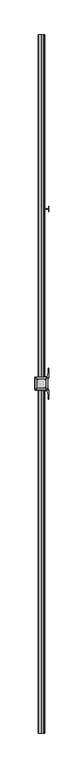
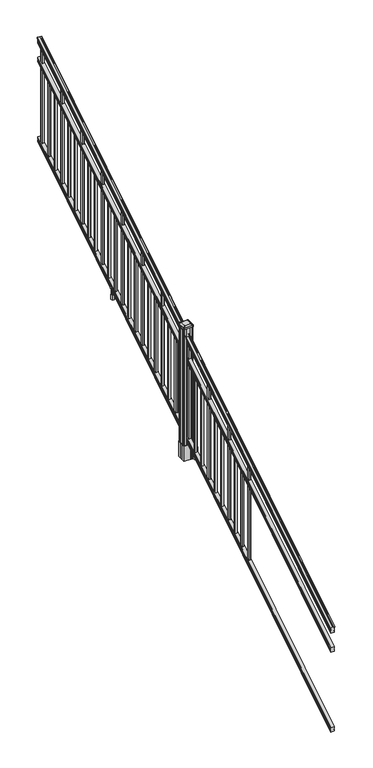
"""IFC4 building model written with IfcOpenShell, lengths in millimetres: railing geometry."""

from ifc_helpers import new_model, si_unit, point, frame, frame_2d, origin, place, context, project, spatial, polyline, circle_curve, ellipse_curve, trimmed, segment, composite_curve, outline, extrude, faceted_brep, source, transform, mapped, element, save
from ifc_brep_helpers import plane_surface, cylinder_surface, revolved_surface, extruded_surface, advanced_brep


def railing_eeea42c5(model_context):
    return source(origin(), model_context, "Body", "SolidModel", [
        advanced_brep(
        [(10037.832944, -115957.2628453, 1285.6070492), (10040.4067728, -115957.2628453, 1285.6070492), (10040.4067728, -115957.2628453, 1273.0394336), (10039.3907728, -115957.2628453, 1271.841318), (10039.3907728, -115957.2628453, 1257.3), (10071.1407728, -115957.2628453, 1257.3), (10071.1407728, -115957.2628453, 1272.0274214), (10070.1247728, -115957.2628453, 1273.225537), (10070.1247728, -115957.2628453, 1285.6070492), (10072.6986015, -115957.2628453, 1285.6070492), (10072.6986015, -115957.2628453, 1287.8335658), (10073.8287878, -115957.2628453, 1289.6758543), (10073.8287878, -115957.2628453, 1298.1876358), (10073.1795314, -115957.2628453, 1301.0572588), (10075.6795314, -115957.2628453, 1306.1635509), (10077.0888739, -115957.2628453, 1308.1442021), (10077.4907729, -115957.2628453, 1309.4469579), (10077.4907728, -115957.2628453, 1311.0274846), (10075.9373255, -115957.2628453, 1312.8593836), (10055.2657728, -115957.2628453, 1312.8593836), (10034.59422, -115957.2628453, 1312.8593836), (10033.0407728, -115957.2628453, 1311.0274846), (10033.0407728, -115957.2628453, 1309.4469579), (10033.4426717, -115957.2628453, 1308.1442021), (10034.8520141, -115957.2628453, 1306.1635509), (10037.3520141, -115957.2628453, 1301.0572588), (10036.7027577, -115957.2628453, 1298.1876358), (10036.7027577, -115957.2628453, 1289.6758543), (10037.832944, -115957.2628453, 1287.8335658), (10037.832944, -111080.4628453, 4333.6070492), (10037.832944, -111080.4628453, 4335.8335658), (10036.7027577, -111080.4628453, 4337.6758543), (10036.7027577, -111080.4628453, 4346.1876358), (10037.3520141, -111080.4628453, 4349.0572588), (10034.8520141, -111080.4628453, 4354.1635509), (10033.4426717, -111080.4628453, 4356.1442021), (10033.0407727, -111080.4628453, 4357.4469579), (10033.0407728, -111080.4628453, 4359.0274846), (10034.59422, -111080.4628453, 4360.8593836), (10055.2657728, -111080.4628453, 4360.8593836), (10075.9373255, -111080.4628453, 4360.8593836), (10077.4907728, -111080.4628453, 4359.0274846), (10077.4907728, -111080.4628453, 4357.4469579), (10077.0888739, -111080.4628453, 4356.1442021), (10075.6795314, -111080.4628453, 4354.1635509), (10073.1795314, -111080.4628453, 4349.0572588), (10073.8287878, -111080.4628453, 4346.1876358), (10073.8287878, -111080.4628453, 4337.6758543), (10072.6986015, -111080.4628453, 4335.8335658), (10072.6986015, -111080.4628453, 4333.6070492), (10070.1247728, -111080.4628453, 4333.6070492), (10070.1247728, -111080.4628453, 4321.225537), (10071.1407728, -111080.4628453, 4320.0274214), (10071.1407728, -111080.4628453, 4305.3), (10039.3907728, -111080.4628453, 4305.3), (10039.3907728, -111080.4628453, 4319.841318), (10040.4067728, -111080.4628453, 4321.0394336), (10040.4067728, -111080.4628453, 4333.6070492)],
        [
            (0, 1, ellipse_curve(frame((10039.1198584, -115957.2628453, 1285.6070492), z_axis=(0.0, -1.0, 0.0), x_axis=(0.0, 0.0, -1.0)), 1.5175907, 1.2869144)),
            (1, 2),
            (2, 3),
            (3, 4),
            (4, 5),
            (5, 6),
            (6, 7),
            (7, 8),
            (8, 9, ellipse_curve(frame((10071.4116871, -115957.2628453, 1285.6070492), z_axis=(0.0, -1.0, 0.0), x_axis=(0.0, 0.0, -1.0)), 1.5175907, 1.2869144)),
            (9, 10),
            (10, 11, ellipse_curve(frame((10066.3838482, -115957.2628453, 1294.6239405), z_axis=(0.0, -1.0, 0.0), x_axis=(0.0, 0.0, -1.0)), 10.0777926, 8.545951)),
            (11, 12, ellipse_curve(frame((10066.8209112, -115957.2628453, 1293.9317451), z_axis=(0.0, -1.0, 0.0), x_axis=(0.0, 0.0, -1.0)), 9.2955186, 7.882584)),
            (12, 13, ellipse_curve(frame((10077.3342353, -115957.2628453, 1300.8275077), z_axis=(0.0, 1.0, 0.0), x_axis=(0.0, 0.0, 1.0)), 4.9048088, 4.1592695)),
            (13, 14, ellipse_curve(frame((10078.6215419, -115957.2628453, 1300.7563208), z_axis=(0.0, 1.0, 0.0), x_axis=(0.0, 0.0, 1.0)), 6.4245301, 5.4479907)),
            (14, 15, ellipse_curve(frame((10077.3883834, -115957.2628453, 1306.1602333), z_axis=(0.0, 1.0, 0.0), x_axis=(0.0, 0.0, 1.0)), 2.0151625, 1.7088543)),
            (15, 16, ellipse_curve(frame((10075.7714833, -115957.2628453, 1309.4469579), z_axis=(0.0, -1.0, 0.0), x_axis=(0.0, 0.0, -1.0)), 2.0274681, 1.7192895)),
            (16, 17),
            (17, 18, ellipse_curve(frame((10075.9373255, -115957.2628453, 1311.0274846), z_axis=(0.0, -1.0, 0.0), x_axis=(0.0, 0.0, -1.0)), 1.831899, 1.5534472)),
            (18, 19),
            (19, 20),
            (20, 21, ellipse_curve(frame((10034.59422, -115957.2628453, 1311.0274846), z_axis=(0.0, -1.0, 0.0), x_axis=(0.0, 0.0, -1.0)), 1.831899, 1.5534472)),
            (21, 22),
            (22, 23, ellipse_curve(frame((10034.7600622, -115957.2628453, 1309.4469579), z_axis=(0.0, -1.0, 0.0), x_axis=(0.0, 0.0, -1.0)), 2.0274681, 1.7192895)),
            (23, 24, ellipse_curve(frame((10033.1431621, -115957.2628453, 1306.1602333), z_axis=(0.0, 1.0, 0.0), x_axis=(0.0, 0.0, 1.0)), 2.0151625, 1.7088543)),
            (24, 25, ellipse_curve(frame((10031.9100037, -115957.2628453, 1300.7563208), z_axis=(0.0, 1.0, 0.0), x_axis=(0.0, 0.0, 1.0)), 6.4245301, 5.4479907)),
            (25, 26, ellipse_curve(frame((10033.1973102, -115957.2628453, 1300.8275077), z_axis=(0.0, 1.0, 0.0), x_axis=(0.0, 0.0, 1.0)), 4.9048088, 4.1592695)),
            (26, 27, ellipse_curve(frame((10043.7106343, -115957.2628453, 1293.9317451), z_axis=(0.0, -1.0, 0.0), x_axis=(0.0, 0.0, -1.0)), 9.2955186, 7.882584)),
            (27, 28, ellipse_curve(frame((10044.1476973, -115957.2628453, 1294.6239405), z_axis=(0.0, -1.0, 0.0), x_axis=(0.0, 0.0, -1.0)), 10.0777926, 8.545951)),
            (28, 0),
            (29, 30),
            (30, 31, ellipse_curve(frame((10044.1476973, -111080.4628453, 4342.6239405), z_axis=(0.0, 1.0, 0.0), x_axis=(0.0, 0.0, -1.0)), 10.0777926, 8.545951)),
            (31, 32, ellipse_curve(frame((10043.7106343, -111080.4628453, 4341.9317451), z_axis=(0.0, 1.0, 0.0), x_axis=(0.0, 0.0, -1.0)), 9.2955186, 7.882584)),
            (32, 33, ellipse_curve(frame((10033.1973102, -111080.4628453, 4348.8275077), z_axis=(0.0, -1.0, 0.0), x_axis=(0.0, 0.0, 1.0)), 4.9048088, 4.1592695)),
            (33, 34, ellipse_curve(frame((10031.9100037, -111080.4628453, 4348.7563208), z_axis=(0.0, -1.0, 0.0), x_axis=(0.0, 0.0, 1.0)), 6.4245301, 5.4479907)),
            (34, 35, ellipse_curve(frame((10033.1431621, -111080.4628453, 4354.1602333), z_axis=(0.0, -1.0, 0.0), x_axis=(0.0, 0.0, 1.0)), 2.0151625, 1.7088543)),
            (35, 36, ellipse_curve(frame((10034.7600622, -111080.4628453, 4357.4469579), z_axis=(0.0, 1.0, 0.0), x_axis=(0.0, 0.0, -1.0)), 2.0274681, 1.7192895)),
            (36, 37),
            (37, 38, ellipse_curve(frame((10034.59422, -111080.4628453, 4359.0274846), z_axis=(0.0, 1.0, 0.0), x_axis=(0.0, 0.0, -1.0)), 1.831899, 1.5534472)),
            (38, 39),
            (39, 40),
            (40, 41, ellipse_curve(frame((10075.9373255, -111080.4628453, 4359.0274846), z_axis=(0.0, 1.0, 0.0), x_axis=(0.0, 0.0, -1.0)), 1.831899, 1.5534472)),
            (41, 42),
            (42, 43, ellipse_curve(frame((10075.7714833, -111080.4628453, 4357.4469579), z_axis=(0.0, 1.0, 0.0), x_axis=(0.0, 0.0, -1.0)), 2.0274681, 1.7192895)),
            (43, 44, ellipse_curve(frame((10077.3883834, -111080.4628453, 4354.1602333), z_axis=(0.0, -1.0, 0.0), x_axis=(0.0, 0.0, 1.0)), 2.0151625, 1.7088543)),
            (44, 45, ellipse_curve(frame((10078.6215419, -111080.4628453, 4348.7563208), z_axis=(0.0, -1.0, 0.0), x_axis=(0.0, 0.0, 1.0)), 6.4245301, 5.4479907)),
            (45, 46, ellipse_curve(frame((10077.3342353, -111080.4628453, 4348.8275077), z_axis=(0.0, -1.0, 0.0), x_axis=(0.0, 0.0, 1.0)), 4.9048088, 4.1592695)),
            (46, 47, ellipse_curve(frame((10066.8209112, -111080.4628453, 4341.9317451), z_axis=(0.0, 1.0, 0.0), x_axis=(0.0, 0.0, -1.0)), 9.2955186, 7.882584)),
            (47, 48, ellipse_curve(frame((10066.3838482, -111080.4628453, 4342.6239405), z_axis=(0.0, 1.0, 0.0), x_axis=(0.0, 0.0, -1.0)), 10.0777926, 8.545951)),
            (48, 49),
            (49, 50, ellipse_curve(frame((10071.4116871, -111080.4628453, 4333.6070492), z_axis=(0.0, 1.0, 0.0), x_axis=(0.0, 0.0, -1.0)), 1.5175907, 1.2869144)),
            (50, 51),
            (51, 52),
            (52, 53),
            (53, 54),
            (54, 55),
            (55, 56),
            (56, 57),
            (57, 29, ellipse_curve(frame((10039.1198584, -111080.4628453, 4333.6070492), z_axis=(0.0, 1.0, 0.0), x_axis=(0.0, 0.0, -1.0)), 1.5175907, 1.2869144)),
            (28, 30),
            (29, 0),
            (27, 31),
            (26, 32),
            (25, 33),
            (24, 34),
            (23, 35),
            (22, 36),
            (21, 37),
            (20, 38),
            (19, 39),
            (18, 40),
            (17, 41),
            (16, 42),
            (15, 43),
            (14, 44),
            (13, 45),
            (12, 46),
            (11, 47),
            (10, 48),
            (9, 49),
            (8, 50),
            (7, 51),
            (6, 52),
            (5, 53),
            (4, 54),
            (3, 55),
            (2, 56),
            (1, 57),
        ],
        [
            plane_surface(frame((10055.2657728, -115957.2628453, 1257.3), z_axis=(0.0, -1.0, 0.0), x_axis=(0.0, 0.0, 1.0))),
            plane_surface(frame((10055.2657728, -111080.4628453, 4305.3), z_axis=(0.0, 1.0, 0.0), x_axis=(0.0, 0.0, 1.0))),
            plane_surface(frame((10037.832944, -115957.2628453, 1287.8335658), z_axis=(-1.0, 0.0, 0.0), x_axis=(0.0, 0.8479983040051252, 0.5299989400031204))),
            cylinder_surface(frame((10044.1476973, -115974.03765, 1284.1396876), z_axis=(0.0, -0.8479983040051253, -0.5299989400031204), x_axis=(1.0, 0.0, 0.0)), 8.545951),
            cylinder_surface(frame((10043.7106343, -115973.7265509, 1283.641929), z_axis=(0.0, -0.8479983040051253, -0.5299989400031204), x_axis=(1.0, 0.0, 0.0)), 7.882584),
            revolved_surface(polyline([(10037.3565797, -111078.25843685034, 4350.205262980551), (10037.3565797, -115959.46725374945, 1299.4497524190954)]), (10033.1973102, -115976.8257701, 1288.6006797), (0.0, 0.8479983040051253, 0.5299989400031204)),
            revolved_surface(polyline([(10037.357994400001, -111077.57541603575, 4350.5609640771845), (10037.357994400001, -115960.15027455281, 1298.9516775044929)]), (10031.9100037, -115976.793776, 1288.5494891), (0.0, 0.8479983040051253, 0.5299989400031204)),
            revolved_surface(polyline([(10034.8520164, -111079.55715429978, 4354.726290199651), (10034.8520164, -115958.16853632247, 1305.594176435948)]), (10033.1431621, -115979.2225007, 1292.4354487), (0.0, 0.8479983040051253, 0.5299989400031204)),
            cylinder_surface(frame((10034.7600622, -115980.6996803, 1294.798936), z_axis=(0.0, -0.8479983040051253, -0.5299989400031204), x_axis=(1.0, 0.0, 0.0)), 1.7192895),
            plane_surface(frame((10033.0407728, -115957.2628453, 1311.0274846), z_axis=(-1.0000000000000002, 0.0, 0.0), x_axis=(0.0, 0.8479983040051253, 0.5299989400031204))),
            cylinder_surface(frame((10034.59422, -115981.4100294, 1295.9354945), z_axis=(0.0, -0.8479983040051253, -0.5299989400031204), x_axis=(1.0, 0.0, 0.0)), 1.5534472),
            plane_surface(frame((10055.2657728, -115957.2628453, 1312.8593836), z_axis=(0.0, -0.5299989400031204, 0.8479983040051252), x_axis=(0.0, 0.8479983040051252, 0.5299989400031204))),
            plane_surface(frame((10075.9373255, -115957.2628453, 1312.8593836), z_axis=(0.0, -0.5299989400031204, 0.8479983040051252), x_axis=(0.0, 0.8479983040051252, 0.5299989400031204))),
            cylinder_surface(frame((10075.9373255, -115981.4100294, 1295.9354945), z_axis=(0.0, -0.8479983040051253, -0.5299989400031204), x_axis=(-1.0, 0.0, 0.0)), 1.5534472),
            plane_surface(frame((10077.4907728, -115957.2628453, 1309.4469579), z_axis=(1.0, 0.0, 0.0), x_axis=(0.0, 0.8479983040051252, 0.5299989400031204))),
            cylinder_surface(frame((10075.7714833, -115980.6996803, 1294.798936), z_axis=(0.0, -0.8479983040051253, -0.5299989400031204), x_axis=(-1.0, 0.0, 0.0)), 1.7192895),
            revolved_surface(polyline([(10075.6795291, -111079.55715429978, 4354.726290199651), (10075.6795291, -115958.16853632247, 1305.594176435948)]), (10077.3883834, -115979.2225007, 1292.4354487), (0.0, 0.8479983040051253, 0.5299989400031204)),
            revolved_surface(polyline([(10073.1735512, -111077.57541603575, 4350.5609640771845), (10073.1735512, -115960.15027455281, 1298.9516775044929)]), (10078.6215419, -115976.793776, 1288.5494891), (0.0, 0.8479983040051253, 0.5299989400031204)),
            revolved_surface(polyline([(10073.1749658, -111078.25843685034, 4350.205262980551), (10073.1749658, -115959.46725374945, 1299.4497524190954)]), (10077.3342353, -115976.8257701, 1288.6006797), (0.0, 0.8479983040051253, 0.5299989400031204)),
            cylinder_surface(frame((10066.8209112, -115973.7265509, 1283.641929), z_axis=(0.0, -0.8479983040051253, -0.5299989400031204), x_axis=(-1.0, 0.0, 0.0)), 7.882584),
            cylinder_surface(frame((10066.3838482, -115974.03765, 1284.1396876), z_axis=(0.0, -0.8479983040051253, -0.5299989400031204), x_axis=(-1.0, 0.0, 0.0)), 8.545951),
            plane_surface(frame((10072.6986015, -115957.2628453, 1285.6070492), z_axis=(1.0, 0.0, 0.0), x_axis=(0.0, 0.8479983040051252, 0.5299989400031204))),
            cylinder_surface(frame((10071.4116871, -115969.9851146, 1277.6556309), z_axis=(0.0, -0.8479983040051253, -0.5299989400031204), x_axis=(-1.0, 0.0, 0.0)), 1.2869144),
            plane_surface(frame((10070.1247728, -115957.2628453, 1273.225537), z_axis=(1.0, 0.0, 0.0), x_axis=(0.0, 0.8479983040051252, 0.5299989400031204))),
            plane_surface(frame((10071.1407728, -115957.2628453, 1272.0274214), z_axis=(0.7071067811865425, -0.3747658444978923, 0.5996253511967194), x_axis=(0.0, 0.8479983040051252, 0.5299989400031204))),
            plane_surface(frame((10071.1407728, -115957.2628453, 1257.3), z_axis=(1.0, 0.0, 0.0), x_axis=(0.0, 0.8479983040051252, 0.5299989400031204))),
            plane_surface(frame((10039.3907728, -115957.2628453, 1257.3), z_axis=(0.0, 0.5299989400031204, -0.8479983040051252), x_axis=(0.0, 0.8479983040051252, 0.5299989400031204))),
            plane_surface(frame((10039.3907728, -115957.2628453, 1271.841318), z_axis=(-1.0, 0.0, 0.0), x_axis=(0.0, 0.8479983040051253, 0.5299989400031203))),
            plane_surface(frame((10040.4067728, -115957.2628453, 1273.0394336), z_axis=(-0.7071067811865404, -0.3747658444978917, 0.5996253511967224), x_axis=(0.0, 0.8479983040051253, 0.5299989400031204))),
            plane_surface(frame((10040.4067728, -115957.2628453, 1285.6070492), z_axis=(-1.0, 0.0, 0.0), x_axis=(0.0, 0.8479983040051252, 0.5299989400031204))),
            cylinder_surface(frame((10039.1198584, -115969.9851146, 1277.6556309), z_axis=(0.0, -0.8479983040051253, -0.5299989400031204), x_axis=(1.0, 0.0, 0.0)), 1.2869144),
        ],
        [
            (0, [[1, 2, 3, 4, 5, 6, 7, 8, 9, 10, 11, 12, 13, 14, 15, 16, 17, 18, 19, 20, 21, 22, 23, 24, 25, 26, 27, 28, 29]]),
            (1, [[30, 31, 32, 33, 34, 35, 36, 37, 38, 39, 40, 41, 42, 43, 44, 45, 46, 47, 48, 49, 50, 51, 52, 53, 54, 55, 56, 57, 58]]),
            (2, [[-29, 59, -30, 60]]),
            (3, [[-28, 61, -31, -59]]),
            (4, [[-27, 62, -32, -61]]),
            (5, [[-26, 63, -33, -62]]),
            (6, [[-25, 64, -34, -63]]),
            (7, [[-24, 65, -35, -64]]),
            (8, [[-23, 66, -36, -65]]),
            (9, [[-22, 67, -37, -66]]),
            (10, [[-21, 68, -38, -67]]),
            (11, [[-20, 69, -39, -68]]),
            (12, [[-19, 70, -40, -69]]),
            (13, [[-18, 71, -41, -70]]),
            (14, [[-17, 72, -42, -71]]),
            (15, [[-16, 73, -43, -72]]),
            (16, [[-15, 74, -44, -73]]),
            (17, [[-14, 75, -45, -74]]),
            (18, [[-13, 76, -46, -75]]),
            (19, [[-12, 77, -47, -76]]),
            (20, [[-11, 78, -48, -77]]),
            (21, [[-10, 79, -49, -78]]),
            (22, [[-9, 80, -50, -79]]),
            (23, [[-8, 81, -51, -80]]),
            (24, [[-7, 82, -52, -81]]),
            (25, [[-6, 83, -53, -82]]),
            (26, [[-5, 84, -54, -83]]),
            (27, [[-4, 85, -55, -84]]),
            (28, [[-3, 86, -56, -85]]),
            (29, [[-2, 87, -57, -86]]),
            (30, [[-1, -60, -58, -87]]),
        ],
    ),
        faceted_brep([(10039.3532859, -115957.2628453, 1081.6045079), (10039.3532859, -115957.2628453, 1066.8), (10071.1032859, -115957.2628453, 1066.8), (10071.1032859, -115957.2628453, 1081.5848772), (10070.0872859, -115957.2628453, 1083.1748303), (10070.0872859, -115957.2628453, 1095.3348741), (10071.1032859, -115957.2628453, 1096.9248272), (10071.1032859, -115957.2628453, 1111.7244744), (10039.3532859, -115957.2628453, 1111.7244744), (10039.3532859, -115957.2628453, 1096.9444579), (10040.3692859, -115957.2628453, 1095.3545048), (10040.3692859, -115957.2628453, 1083.138026), (10039.3532859, -111080.4628453, 4129.6045079), (10040.3692859, -111080.4628453, 4131.138026), (10040.3692859, -111080.4628453, 4143.3545048), (10039.3532859, -111080.4628453, 4144.9444579), (10039.3532859, -111080.4628453, 4159.7244744), (10071.1032859, -111080.4628453, 4159.7244744), (10071.1032859, -111080.4628453, 4144.9248272), (10070.0872859, -111080.4628453, 4143.3348741), (10070.0872859, -111080.4628453, 4131.1748303), (10071.1032859, -111080.4628453, 4129.5848772), (10071.1032859, -111080.4628453, 4114.8), (10039.3532859, -111080.4628453, 4114.8)], [[[0, 1, 2, 3, 4, 5, 6, 7, 8, 9, 10, 11]], [[12, 13, 14, 15, 16, 17, 18, 19, 20, 21, 22, 23]], [[0, 11, 13, 12]], [[11, 10, 14, 13]], [[10, 9, 15, 14]], [[9, 8, 16, 15]], [[8, 7, 17, 16]], [[7, 6, 18, 17]], [[6, 5, 19, 18]], [[5, 4, 20, 19]], [[4, 3, 21, 20]], [[3, 2, 22, 21]], [[2, 1, 23, 22]], [[1, 0, 12, 23]]]),
        faceted_brep([(10039.3532859, -115957.2628453, 268.8045079), (10039.3532859, -115957.2628453, 254.0), (10071.1032859, -115957.2628453, 254.0), (10071.1032859, -115957.2628453, 268.7848772), (10070.0872859, -115957.2628453, 270.3748303), (10070.0872859, -115957.2628453, 282.5348741), (10071.1032859, -115957.2628453, 284.1248272), (10071.1032859, -115957.2628453, 298.9244744), (10039.3532859, -115957.2628453, 298.9244744), (10039.3532859, -115957.2628453, 284.1444579), (10040.3692859, -115957.2628453, 282.5545048), (10040.3692859, -115957.2628453, 270.338026), (10039.3532859, -111080.4628453, 3316.8045079), (10040.3692859, -111080.4628453, 3318.338026), (10040.3692859, -111080.4628453, 3330.5545048), (10039.3532859, -111080.4628453, 3332.1444579), (10039.3532859, -111080.4628453, 3346.9244744), (10071.1032859, -111080.4628453, 3346.9244744), (10071.1032859, -111080.4628453, 3332.1248272), (10070.0872859, -111080.4628453, 3330.5348741), (10070.0872859, -111080.4628453, 3318.3748303), (10071.1032859, -111080.4628453, 3316.7848772), (10071.1032859, -111080.4628453, 3302.0), (10039.3532859, -111080.4628453, 3302.0)], [[[0, 1, 2, 3, 4, 5, 6, 7, 8, 9, 10, 11]], [[12, 13, 14, 15, 16, 17, 18, 19, 20, 21, 22, 23]], [[1, 0, 12, 23]], [[7, 6, 18, 17]], [[9, 8, 16, 15]], [[11, 10, 14, 13]], [[2, 1, 23, 22]], [[3, 2, 22, 21]], [[4, 3, 21, 20]], [[5, 4, 20, 19]], [[6, 5, 19, 18]], [[8, 7, 17, 16]], [[10, 9, 15, 14]], [[0, 11, 13, 12]]]),
        extrude(outline(polyline([(10045.7407728, -111137.2318453), (10045.7407728, -111118.1818453), (10064.7907728, -111118.1818453), (10064.7907728, -111137.2318453), (10045.7407728, -111137.2318453)]), holes=[polyline([(10046.1376478, -111136.8349703), (10064.3938978, -111136.8349703), (10064.3938978, -111118.5787203), (10046.1376478, -111118.5787203), (10046.1376478, -111136.8349703)])]), frame((0.0, 0.0, 3310.5683781), z_axis=(0.0, 0.0, 1.0), x_axis=(1.0, 0.0, 0.0)), (0.0, 0.0, 1.0), 965.2041219),
        extrude(outline(polyline([(10045.7407728, -111248.4838453), (10045.7407728, -111229.4338453), (10064.7907728, -111229.4338453), (10064.7907728, -111248.4838453), (10045.7407728, -111248.4838453)]), holes=[polyline([(10046.1376478, -111248.0869703), (10064.3938978, -111248.0869703), (10064.3938978, -111229.8307203), (10046.1376478, -111229.8307203), (10046.1376478, -111248.0869703)])]), frame((0.0, 0.0, 3241.0358781), z_axis=(0.0, 0.0, 1.0), x_axis=(1.0, 0.0, 0.0)), (0.0, 0.0, 1.0), 774.7041219),
        extrude(outline(polyline([(10045.7407728, -111359.7358453), (10045.7407728, -111340.6858453), (10064.7907728, -111340.6858453), (10064.7907728, -111359.7358453), (10045.7407728, -111359.7358453)]), holes=[polyline([(10046.1376478, -111359.3389703), (10064.3938978, -111359.3389703), (10064.3938978, -111341.0827203), (10046.1376478, -111341.0827203), (10046.1376478, -111359.3389703)])]), frame((0.0, 0.0, 3171.5033781), z_axis=(0.0, 0.0, 1.0), x_axis=(1.0, 0.0, 0.0)), (0.0, 0.0, 1.0), 774.7041219),
        extrude(outline(polyline([(10045.7407728, -111470.9878453), (10045.7407728, -111451.9378453), (10064.7907728, -111451.9378453), (10064.7907728, -111470.9878453), (10045.7407728, -111470.9878453)]), holes=[polyline([(10046.1376478, -111470.5909703), (10064.3938978, -111470.5909703), (10064.3938978, -111452.3347203), (10046.1376478, -111452.3347203), (10046.1376478, -111470.5909703)])]), frame((0.0, 0.0, 3101.9708781), z_axis=(0.0, 0.0, 1.0), x_axis=(1.0, 0.0, 0.0)), (0.0, 0.0, 1.0), 965.2041219),
        extrude(outline(polyline([(10045.7407728, -111582.2398453), (10045.7407728, -111563.1898453), (10064.7907728, -111563.1898453), (10064.7907728, -111582.2398453), (10045.7407728, -111582.2398453)]), holes=[polyline([(10046.1376478, -111581.8429703), (10064.3938978, -111581.8429703), (10064.3938978, -111563.5867203), (10046.1376478, -111563.5867203), (10046.1376478, -111581.8429703)])]), frame((0.0, 0.0, 3032.4383781), z_axis=(0.0, 0.0, 1.0), x_axis=(1.0, 0.0, 0.0)), (0.0, 0.0, 1.0), 774.7041219),
        extrude(outline(polyline([(10045.7407728, -111693.4918453), (10045.7407728, -111674.4418453), (10064.7907728, -111674.4418453), (10064.7907728, -111693.4918453), (10045.7407728, -111693.4918453)]), holes=[polyline([(10046.1376478, -111693.0949703), (10064.3938978, -111693.0949703), (10064.3938978, -111674.8387203), (10046.1376478, -111674.8387203), (10046.1376478, -111693.0949703)])]), frame((0.0, 0.0, 2962.9058781), z_axis=(0.0, 0.0, 1.0), x_axis=(1.0, 0.0, 0.0)), (0.0, 0.0, 1.0), 774.7041219),
        extrude(outline(polyline([(10045.7407728, -111804.7438453), (10045.7407728, -111785.6938453), (10064.7907728, -111785.6938453), (10064.7907728, -111804.7438453), (10045.7407728, -111804.7438453)]), holes=[polyline([(10046.1376478, -111804.3469703), (10064.3938978, -111804.3469703), (10064.3938978, -111786.0907203), (10046.1376478, -111786.0907203), (10046.1376478, -111804.3469703)])]), frame((0.0, 0.0, 2893.3733781), z_axis=(0.0, 0.0, 1.0), x_axis=(1.0, 0.0, 0.0)), (0.0, 0.0, 1.0), 965.2041219),
        extrude(outline(polyline([(10045.7407728, -111915.9958453), (10045.7407728, -111896.9458453), (10064.7907728, -111896.9458453), (10064.7907728, -111915.9958453), (10045.7407728, -111915.9958453)]), holes=[polyline([(10046.1376478, -111915.5989703), (10064.3938978, -111915.5989703), (10064.3938978, -111897.3427203), (10046.1376478, -111897.3427203), (10046.1376478, -111915.5989703)])]), frame((0.0, 0.0, 2823.8408781), z_axis=(0.0, 0.0, 1.0), x_axis=(1.0, 0.0, 0.0)), (0.0, 0.0, 1.0), 774.7041219),
        extrude(outline(polyline([(10045.7407728, -112027.2478453), (10045.7407728, -112008.1978453), (10064.7907728, -112008.1978453), (10064.7907728, -112027.2478453), (10045.7407728, -112027.2478453)]), holes=[polyline([(10046.1376478, -112026.8509703), (10064.3938978, -112026.8509703), (10064.3938978, -112008.5947203), (10046.1376478, -112008.5947203), (10046.1376478, -112026.8509703)])]), frame((0.0, 0.0, 2754.3083781), z_axis=(0.0, 0.0, 1.0), x_axis=(1.0, 0.0, 0.0)), (0.0, 0.0, 1.0), 774.7041219),
        extrude(outline(polyline([(10045.7407728, -112138.4998453), (10045.7407728, -112119.4498453), (10064.7907728, -112119.4498453), (10064.7907728, -112138.4998453), (10045.7407728, -112138.4998453)]), holes=[polyline([(10046.1376478, -112138.1029703), (10064.3938978, -112138.1029703), (10064.3938978, -112119.8467203), (10046.1376478, -112119.8467203), (10046.1376478, -112138.1029703)])]), frame((0.0, 0.0, 2684.7758781), z_axis=(0.0, 0.0, 1.0), x_axis=(1.0, 0.0, 0.0)), (0.0, 0.0, 1.0), 965.2041219),
        extrude(outline(polyline([(10045.7407728, -112249.7518453), (10045.7407728, -112230.7018453), (10064.7907728, -112230.7018453), (10064.7907728, -112249.7518453), (10045.7407728, -112249.7518453)]), holes=[polyline([(10046.1376478, -112249.3549703), (10064.3938978, -112249.3549703), (10064.3938978, -112231.0987203), (10046.1376478, -112231.0987203), (10046.1376478, -112249.3549703)])]), frame((0.0, 0.0, 2615.2433781), z_axis=(0.0, 0.0, 1.0), x_axis=(1.0, 0.0, 0.0)), (0.0, 0.0, 1.0), 774.7041219),
        extrude(outline(polyline([(10065.9337726, -112297.1228453), (10065.9337726, -112294.5828453), (10105.3037728, -112294.5828453), (10105.3037728, -112297.1228453), (10065.9337726, -112297.1228453)])), frame((0.0, 0.0, 2428.08125), z_axis=(0.0, 0.0, 1.0), x_axis=(1.0, 0.0, 0.0)), (0.0, 0.0, 1.0), 50.8),
        extrude(outline(polyline([(10105.3037728, -112314.9028453), (10105.3037728, -112276.8028453), (10107.8437728, -112276.8028453), (10107.8437728, -112314.9028453), (10105.3037728, -112314.9028453)])), frame((0.0, 0.0, 2428.08125), z_axis=(0.0, 0.0, 1.0), x_axis=(1.0, 0.0, 0.0)), (0.0, 0.0, 1.0), 50.8),
        extrude(outline(polyline([(10044.597772, -112305.7588453), (10044.597772, -112285.9468453), (10065.9337726, -112285.9468453), (10065.9337726, -112305.7588453), (10044.597772, -112305.7588453)]), holes=[polyline([(10047.8997721, -112303.2188453), (10062.6317725, -112303.2188453), (10062.6317725, -112288.4868453), (10047.8997721, -112288.4868453), (10047.8997721, -112303.2188453)])]), frame((0.0, 0.0, 2428.08125), z_axis=(0.0, 0.0, 1.0), x_axis=(1.0, 0.0, 0.0)), (0.0, 0.0, 1.0), 50.8),
        extrude(outline(polyline([(2567.6016479, 10073.4267716), (2567.6016479, 10071.394772), (2566.5856453, 10070.3787722), (2556.1498581, 10070.3787722), (2555.1338573, 10071.394772), (2543.143251, 10071.394772), (2542.3812519, 10070.6327729), (2542.3812519, 10039.8987717), (2543.143251, 10039.1367726), (2555.1338573, 10039.1367726), (2556.1498581, 10040.1527724), (2566.5856453, 10040.1527724), (2567.6016479, 10039.1367726), (2567.6016479, 10037.104773), (2566.8396469, 10036.342772), (2540.3492523, 10036.342772), (2539.5872513, 10037.104773), (2539.5872513, 10047.137772), (2538.8252512, 10047.8997721), (2475.3252512, 10047.8997721), (2475.3252512, 10062.6317725), (2538.8252512, 10062.6317725), (2539.5872513, 10063.3937726), (2539.5872513, 10073.4267716), (2540.3492523, 10074.1887726), (2566.8396469, 10074.1887726), (2567.6016479, 10073.4267716)]), holes=[polyline([(2539.5872513, 10051.8367724), (2539.5872513, 10058.6947722), (2538.8252512, 10059.4567723), (2482.8182503, 10059.4567723), (2482.0562531, 10058.6947751), (2482.0562531, 10051.8367724), (2482.8182531, 10051.0747723), (2538.8252512, 10051.0747723), (2539.5872513, 10051.8367724)])]), frame((0.0, -112303.2188453, 0.0), z_axis=(0.0, 1.0, 0.0), x_axis=(0.0, 0.0, 1.0)), (0.0, 0.0, 1.0), 14.732),
        extrude(outline(polyline([(10045.7407728, -112361.0038453), (10045.7407728, -112341.9538453), (10064.7907728, -112341.9538453), (10064.7907728, -112361.0038453), (10045.7407728, -112361.0038453)]), holes=[polyline([(10046.1376478, -112360.6069703), (10064.3938978, -112360.6069703), (10064.3938978, -112342.3507203), (10046.1376478, -112342.3507203), (10046.1376478, -112360.6069703)])]), frame((0.0, 0.0, 2545.7108781), z_axis=(0.0, 0.0, 1.0), x_axis=(1.0, 0.0, 0.0)), (0.0, 0.0, 1.0), 774.7041219),
        extrude(outline(polyline([(10045.7407728, -112472.2558453), (10045.7407728, -112453.2058453), (10064.7907728, -112453.2058453), (10064.7907728, -112472.2558453), (10045.7407728, -112472.2558453)]), holes=[polyline([(10046.1376478, -112471.8589703), (10064.3938978, -112471.8589703), (10064.3938978, -112453.6027203), (10046.1376478, -112453.6027203), (10046.1376478, -112471.8589703)])]), frame((0.0, 0.0, 2476.1783781), z_axis=(0.0, 0.0, 1.0), x_axis=(1.0, 0.0, 0.0)), (0.0, 0.0, 1.0), 965.2041219),
        extrude(outline(polyline([(10045.7407728, -112583.5078453), (10045.7407728, -112564.4578453), (10064.7907728, -112564.4578453), (10064.7907728, -112583.5078453), (10045.7407728, -112583.5078453)]), holes=[polyline([(10046.1376478, -112583.1109703), (10064.3938978, -112583.1109703), (10064.3938978, -112564.8547203), (10046.1376478, -112564.8547203), (10046.1376478, -112583.1109703)])]), frame((0.0, 0.0, 2406.6458781), z_axis=(0.0, 0.0, 1.0), x_axis=(1.0, 0.0, 0.0)), (0.0, 0.0, 1.0), 774.7041219),
        extrude(outline(polyline([(10045.7407728, -112694.7598453), (10045.7407728, -112675.7098453), (10064.7907728, -112675.7098453), (10064.7907728, -112694.7598453), (10045.7407728, -112694.7598453)]), holes=[polyline([(10046.1376478, -112694.3629703), (10064.3938978, -112694.3629703), (10064.3938978, -112676.1067203), (10046.1376478, -112676.1067203), (10046.1376478, -112694.3629703)])]), frame((0.0, 0.0, 2337.1133781), z_axis=(0.0, 0.0, 1.0), x_axis=(1.0, 0.0, 0.0)), (0.0, 0.0, 1.0), 774.7041219),
        extrude(outline(polyline([(10045.7407728, -112806.0118453), (10045.7407728, -112786.9618453), (10064.7907728, -112786.9618453), (10064.7907728, -112806.0118453), (10045.7407728, -112806.0118453)]), holes=[polyline([(10046.1376478, -112805.6149703), (10064.3938978, -112805.6149703), (10064.3938978, -112787.3587203), (10046.1376478, -112787.3587203), (10046.1376478, -112805.6149703)])]), frame((0.0, 0.0, 2267.5808781), z_axis=(0.0, 0.0, 1.0), x_axis=(1.0, 0.0, 0.0)), (0.0, 0.0, 1.0), 965.2041219),
        extrude(outline(polyline([(10045.7407728, -112917.2638453), (10045.7407728, -112898.2138453), (10064.7907728, -112898.2138453), (10064.7907728, -112917.2638453), (10045.7407728, -112917.2638453)]), holes=[polyline([(10046.1376478, -112916.8669703), (10064.3938978, -112916.8669703), (10064.3938978, -112898.6107203), (10046.1376478, -112898.6107203), (10046.1376478, -112916.8669703)])]), frame((0.0, 0.0, 2198.0483781), z_axis=(0.0, 0.0, 1.0), x_axis=(1.0, 0.0, 0.0)), (0.0, 0.0, 1.0), 774.7041219),
        extrude(outline(polyline([(10045.7407728, -113028.5158453), (10045.7407728, -113009.4658453), (10064.7907728, -113009.4658453), (10064.7907728, -113028.5158453), (10045.7407728, -113028.5158453)]), holes=[polyline([(10046.1376478, -113028.1189703), (10064.3938978, -113028.1189703), (10064.3938978, -113009.8627203), (10046.1376478, -113009.8627203), (10046.1376478, -113028.1189703)])]), frame((0.0, 0.0, 2128.5158781), z_axis=(0.0, 0.0, 1.0), x_axis=(1.0, 0.0, 0.0)), (0.0, 0.0, 1.0), 774.7041219),
        extrude(outline(polyline([(10045.7407728, -113139.7678453), (10045.7407728, -113120.7178453), (10064.7907728, -113120.7178453), (10064.7907728, -113139.7678453), (10045.7407728, -113139.7678453)]), holes=[polyline([(10046.1376478, -113139.3709703), (10064.3938978, -113139.3709703), (10064.3938978, -113121.1147203), (10046.1376478, -113121.1147203), (10046.1376478, -113139.3709703)])]), frame((0.0, 0.0, 2058.9833781), z_axis=(0.0, 0.0, 1.0), x_axis=(1.0, 0.0, 0.0)), (0.0, 0.0, 1.0), 965.2041219),
        extrude(outline(polyline([(10045.7407728, -113251.0198453), (10045.7407728, -113231.9698453), (10064.7907728, -113231.9698453), (10064.7907728, -113251.0198453), (10045.7407728, -113251.0198453)]), holes=[polyline([(10046.1376478, -113250.6229703), (10064.3938978, -113250.6229703), (10064.3938978, -113232.3667203), (10046.1376478, -113232.3667203), (10046.1376478, -113250.6229703)])]), frame((0.0, 0.0, 1989.4508781), z_axis=(0.0, 0.0, 1.0), x_axis=(1.0, 0.0, 0.0)), (0.0, 0.0, 1.0), 774.7041219),
        extrude(outline(polyline([(10045.7407728, -113362.2718453), (10045.7407728, -113343.2218453), (10064.7907728, -113343.2218453), (10064.7907728, -113362.2718453), (10045.7407728, -113362.2718453)]), holes=[polyline([(10046.1376478, -113361.8749703), (10064.3938978, -113361.8749703), (10064.3938978, -113343.6187203), (10046.1376478, -113343.6187203), (10046.1376478, -113361.8749703)])]), frame((0.0, 0.0, 1919.9183781), z_axis=(0.0, 0.0, 1.0), x_axis=(1.0, 0.0, 0.0)), (0.0, 0.0, 1.0), 774.7041219),
        extrude(outline(polyline([(10045.7407728, -113473.5238453), (10045.7407728, -113454.4738453), (10064.7907728, -113454.4738453), (10064.7907728, -113473.5238453), (10045.7407728, -113473.5238453)]), holes=[polyline([(10046.1376478, -113473.1269703), (10064.3938978, -113473.1269703), (10064.3938978, -113454.8707203), (10046.1376478, -113454.8707203), (10046.1376478, -113473.1269703)])]), frame((0.0, 0.0, 1850.3858781), z_axis=(0.0, 0.0, 1.0), x_axis=(1.0, 0.0, 0.0)), (0.0, 0.0, 1.0), 965.2041219),
        extrude(outline(composite_curve([segment(polyline([(10012.5302728, -113533.7089401), (10012.5302728, -113498.9367504), (10010.9427728, -113498.1747504), (10010.9427728, -113475.3728224), (10014.3157498, -113471.9998453), (10075.7754206, -113471.9998453), (10075.7754206, -113471.0790953), (10081.0929645, -113471.0790953), (10081.0929645, -113469.6248406), (10086.1774942, -113469.6248406), (10086.1774942, -113468.3408168), (10087.8447665, -113468.3408168)]), True, "CONTINUOUS"), segment(trimmed(circle_curve(frame_2d((10087.8447665, -113461.2813569)), 7.0594599), [point((10087.8447665, -113468.3408168))], [point((10094.6120293, -113463.2913636))], True, "CARTESIAN"), True, "CONTINUOUS"), segment(polyline([(10094.6120293, -113463.2913636), (10102.4862236, -113436.7806345)]), True, "CONTINUOUS"), segment(trimmed(circle_curve(frame_2d((10047.7017103, -113420.5085848)), 57.15), [point((10102.4862236, -113436.7806345))], [point((10104.8517103, -113420.5085848))], True, "CARTESIAN"), True, "CONTINUOUS"), segment(polyline([(10104.8517103, -113420.5085848), (10104.8517103, -113408.4998453), (10107.8517103, -113408.4998453), (10107.8517103, -113473.5873453), (10099.5887728, -113484.9256366), (10099.5887728, -113498.1747504), (10098.0012728, -113498.9367504), (10098.0012728, -113533.7089401), (10099.5887728, -113534.4709401), (10099.5887728, -113547.720054), (10107.8517103, -113559.0583453), (10107.8517103, -113624.1458453), (10104.8517103, -113624.1458453), (10104.8517103, -113612.1371057)]), True, "CONTINUOUS"), segment(trimmed(circle_curve(frame_2d((10047.7017103, -113612.1371057)), 57.15), [point((10104.8517103, -113612.1371057))], [point((10102.4862236, -113595.8650561))], True, "CARTESIAN"), True, "CONTINUOUS"), segment(polyline([(10102.4862236, -113595.8650561), (10094.6120293, -113569.354327)]), True, "CONTINUOUS"), segment(trimmed(circle_curve(frame_2d((10087.8447665, -113571.3643337)), 7.0594599), [point((10094.6120293, -113569.354327))], [point((10087.8447665, -113564.3048738))], True, "CARTESIAN"), True, "CONTINUOUS"), segment(polyline([(10087.8447665, -113564.3048738), (10086.1774942, -113564.3048738), (10086.1774942, -113563.02085), (10081.0929645, -113563.02085), (10081.0929645, -113561.5665953), (10075.7754206, -113561.5665953), (10075.7754206, -113560.6458453), (10014.3157498, -113560.6458453), (10010.9427728, -113557.2728682), (10010.9427728, -113534.4709401), (10012.5302728, -113533.7089401)]), True, "CONTINUOUS")], self_intersect=False), holes=[polyline([(10096.5407728, -113476.6353453), (10094.9532728, -113475.0478453), (10058.0289902, -113475.0478453), (10015.5782728, -113475.0478453), (10013.9907728, -113476.6353453), (10013.9907728, -113556.0103453), (10015.5782728, -113557.5978453), (10058.0289902, -113557.5978453), (10094.9532728, -113557.5978453), (10096.5407728, -113556.0103453), (10096.5407728, -113476.6353453)])]), frame((0.0, 0.0, 1563.6875), z_axis=(0.0, 0.0, 1.0), x_axis=(1.0, 0.0, 0.0)), (0.0, 0.0, 1.0), 152.4),
        advanced_brep(
        [(10081.0626478, -113545.2947203, 2928.426763), (10084.2376478, -113542.1197203, 2928.426763), (10084.2376478, -113490.5259703, 2928.426763), (10081.0626478, -113487.3509703, 2928.426763), (10029.4688978, -113487.3509703, 2928.426763), (10026.2938978, -113490.5259703, 2928.426763), (10026.2938978, -113542.1197203, 2928.426763), (10029.4688978, -113545.2947203, 2928.426763), (10097.3345228, -113561.5665953, 2917.123763), (10013.1970228, -113561.5665953, 2917.123763), (10010.0220228, -113558.3915953, 2917.123763), (10010.0220228, -113474.2540953, 2917.123763), (10013.1970228, -113471.0790953, 2917.123763), (10097.3345228, -113471.0790953, 2917.123763), (10100.5095228, -113474.2540953, 2917.123763), (10100.5095228, -113558.3915953, 2917.123763)],
        [
            (0, 1, circle_curve(frame((10081.0626478, -113542.1197203, 2928.426763), z_axis=(0.0, 0.0, 1.0), x_axis=(0.0, 1.0, 0.0)), 3.175)),
            (1, 2),
            (2, 3, circle_curve(frame((10081.0626478, -113490.5259703, 2928.426763), z_axis=(0.0, 0.0, 1.0), x_axis=(0.0, 1.0, 0.0)), 3.175)),
            (3, 4),
            (4, 5, circle_curve(frame((10029.4688978, -113490.5259703, 2928.426763), z_axis=(0.0, 0.0, 1.0), x_axis=(0.0, 1.0, 0.0)), 3.175)),
            (5, 6),
            (6, 7, circle_curve(frame((10029.4688978, -113542.1197203, 2928.426763), z_axis=(0.0, 0.0, 1.0), x_axis=(0.0, 1.0, 0.0)), 3.175)),
            (7, 0),
            (8, 9),
            (9, 10, circle_curve(frame((10013.1970228, -113558.3915953, 2917.123763), z_axis=(0.0, 0.0, -1.0), x_axis=(0.0, 1.0, 0.0)), 3.175)),
            (10, 11),
            (11, 12, circle_curve(frame((10013.1970228, -113474.2540953, 2917.123763), z_axis=(0.0, 0.0, -1.0), x_axis=(0.0, 1.0, 0.0)), 3.175)),
            (12, 13),
            (13, 14, circle_curve(frame((10097.3345228, -113474.2540953, 2917.123763), z_axis=(0.0, 0.0, -1.0), x_axis=(0.0, 1.0, 0.0)), 3.175)),
            (14, 15),
            (15, 8, circle_curve(frame((10097.3345228, -113558.3915953, 2917.123763), z_axis=(0.0, 0.0, -1.0), x_axis=(0.0, 1.0, 0.0)), 3.175)),
            (15, 1),
            (0, 8),
            (14, 2),
            (13, 3),
            (12, 4),
            (11, 5),
            (10, 6),
            (9, 7),
        ],
        [
            plane_surface(frame((10055.2657728, -113516.3228453, 2928.426763), z_axis=(0.0, 0.0, 1.0), x_axis=(1.0, 0.0, 0.0))),
            plane_surface(frame((10055.2657728, -113516.3228453, 2917.123763), z_axis=(0.0, 0.0, -1.0), x_axis=(1.0, 0.0, 0.0))),
            extruded_surface(trimmed(circle_curve(frame((10097.3345228, -113558.3915953, 2917.123763), z_axis=(0.0, 0.0, 1.0), x_axis=(0.0, 1.0, 0.0)), 3.175), [point((10097.3345228, -113561.5665953, 2917.123763))], [point((10100.5095228, -113558.3915953, 2917.123763))], True, "CARTESIAN"), (-16.271875000000364, 16.27187499999127, 11.302999999999884), 25.637972638860802),
            plane_surface(frame((10100.5095228, -113516.3228453, 2917.123763), z_axis=(0.5705009161540778, 0.0, 0.8212969649690408), x_axis=(0.0, 1.0, 0.0))),
            extruded_surface(trimmed(circle_curve(frame((10097.3345228, -113474.2540953, 2917.123763), z_axis=(0.0, 0.0, 1.0), x_axis=(0.0, 1.0, 0.0)), 3.175), [point((10100.5095228, -113474.2540953, 2917.123763))], [point((10097.3345228, -113471.0790953, 2917.123763))], True, "CARTESIAN"), (-16.271875000000364, -16.27187500000582, 11.302999999999884), 25.637972638870036),
            plane_surface(frame((10055.2657728, -113471.0790953, 2917.123763), z_axis=(0.0, 0.5705009161540291, 0.8212969649690747), x_axis=(-1.0, 0.0, 0.0))),
            extruded_surface(trimmed(circle_curve(frame((10013.1970228, -113474.2540953, 2917.123763), z_axis=(0.0, 0.0, 1.0), x_axis=(0.0, 1.0, 0.0)), 3.175), [point((10013.1970228, -113471.0790953, 2917.123763))], [point((10010.0220228, -113474.2540953, 2917.123763))], True, "CARTESIAN"), (16.271875000000364, -16.27187500000582, 11.302999999999884), 25.637972638870036),
            plane_surface(frame((10010.0220228, -113516.3228453, 2917.123763), z_axis=(-0.5705009161540142, 0.0, 0.8212969649690851), x_axis=(0.0, -1.0, 0.0))),
            extruded_surface(trimmed(circle_curve(frame((10013.1970228, -113558.3915953, 2917.123763), z_axis=(0.0, 0.0, 1.0), x_axis=(0.0, 1.0, 0.0)), 3.175), [point((10010.0220228, -113558.3915953, 2917.123763))], [point((10013.1970228, -113561.5665953, 2917.123763))], True, "CARTESIAN"), (16.271875000000364, 16.27187499999127, 11.302999999999884), 25.637972638860802),
            plane_surface(frame((10055.2657728, -113561.5665953, 2917.123763), z_axis=(0.0, -0.570500916154034, 0.8212969649690713), x_axis=(1.0, 0.0, 0.0))),
        ],
        [
            (0, [[1, 2, 3, 4, 5, 6, 7, 8]]),
            (1, [[9, 10, 11, 12, 13, 14, 15, 16]]),
            (2, [[-16, 17, -1, 18]]),
            (3, [[-15, 19, -2, -17]]),
            (4, [[-14, 20, -3, -19]]),
            (5, [[-13, 21, -4, -20]]),
            (6, [[-12, 22, -5, -21]]),
            (7, [[-11, 23, -6, -22]]),
            (8, [[-10, 24, -7, -23]]),
            (9, [[-9, -18, -8, -24]]),
        ],
    ),
        extrude(outline(composite_curve([segment(polyline([(10097.3345228, -113561.5665953), (10013.1970228, -113561.5665953)]), True, "CONTINUOUS"), segment(trimmed(circle_curve(frame_2d((10013.1970228, -113558.3915953)), 3.175), [point((10013.1970228, -113561.5665953))], [point((10010.0220228, -113558.3915953))], False, "CARTESIAN"), True, "CONTINUOUS"), segment(polyline([(10010.0220228, -113558.3915953), (10010.0220228, -113474.2540953)]), True, "CONTINUOUS"), segment(trimmed(circle_curve(frame_2d((10013.1970228, -113474.2540953)), 3.175), [point((10010.0220228, -113474.2540953))], [point((10013.1970228, -113471.0790953))], False, "CARTESIAN"), True, "CONTINUOUS"), segment(polyline([(10013.1970228, -113471.0790953), (10097.3345228, -113471.0790953)]), True, "CONTINUOUS"), segment(trimmed(circle_curve(frame_2d((10097.3345228, -113474.2540953)), 3.175), [point((10097.3345228, -113471.0790953))], [point((10100.5095228, -113474.2540953))], False, "CARTESIAN"), True, "CONTINUOUS"), segment(polyline([(10100.5095228, -113474.2540953), (10100.5095228, -113558.3915953)]), True, "CONTINUOUS"), segment(trimmed(circle_curve(frame_2d((10097.3345228, -113558.3915953)), 3.175), [point((10100.5095228, -113558.3915953))], [point((10097.3345228, -113561.5665953))], False, "CARTESIAN"), True, "CONTINUOUS")], self_intersect=False)), frame((0.0, 0.0, 2899.851763), z_axis=(0.0, 0.0, 1.0), x_axis=(1.0, 0.0, 0.0)), (0.0, 0.0, 1.0), 17.272),
        extrude(outline(polyline([(10094.9532728, -113557.5978453), (10075.3317728, -113557.5978453), (10074.5697728, -113556.0103453), (10035.9617728, -113556.0103453), (10035.1997728, -113557.5978453), (10015.5782728, -113557.5978453), (10013.9907728, -113556.0103453), (10013.9907728, -113536.3888453), (10015.5782728, -113535.6268453), (10015.5782728, -113497.0188453), (10013.9907728, -113496.2568453), (10013.9907728, -113476.6353453), (10015.5782728, -113475.0478453), (10035.1997728, -113475.0478453), (10035.9617728, -113476.6353453), (10074.5697728, -113476.6353453), (10075.3317728, -113475.0478453), (10094.9532728, -113475.0478453), (10096.5407728, -113476.6353453), (10096.5407728, -113496.2568453), (10094.9532728, -113497.0188453), (10094.9532728, -113535.6268453), (10096.5407728, -113536.3888453), (10096.5407728, -113556.0103453), (10094.9532728, -113557.5978453)])), frame((0.0, 0.0, 1716.0875), z_axis=(0.0, 0.0, 1.0), x_axis=(1.0, 0.0, 0.0)), (0.0, 0.0, 1.0), 1183.764263),
        extrude(outline(polyline([(10045.7407728, -113578.1718453), (10045.7407728, -113559.1218453), (10064.7907728, -113559.1218453), (10064.7907728, -113578.1718453), (10045.7407728, -113578.1718453)]), holes=[polyline([(10046.1376478, -113577.7749703), (10064.3938978, -113577.7749703), (10064.3938978, -113559.5187203), (10046.1376478, -113559.5187203), (10046.1376478, -113577.7749703)])]), frame((0.0, 0.0, 1784.9808781), z_axis=(0.0, 0.0, 1.0), x_axis=(1.0, 0.0, 0.0)), (0.0, 0.0, 1.0), 965.2041219),
        extrude(outline(polyline([(10045.7407728, -113689.4238453), (10045.7407728, -113670.3738453), (10064.7907728, -113670.3738453), (10064.7907728, -113689.4238453), (10045.7407728, -113689.4238453)]), holes=[polyline([(10046.1376478, -113689.0269703), (10064.3938978, -113689.0269703), (10064.3938978, -113670.7707203), (10046.1376478, -113670.7707203), (10046.1376478, -113689.0269703)])]), frame((0.0, 0.0, 1715.4483781), z_axis=(0.0, 0.0, 1.0), x_axis=(1.0, 0.0, 0.0)), (0.0, 0.0, 1.0), 774.7041219),
        extrude(outline(polyline([(10045.7407728, -113800.6758453), (10045.7407728, -113781.6258453), (10064.7907728, -113781.6258453), (10064.7907728, -113800.6758453), (10045.7407728, -113800.6758453)]), holes=[polyline([(10046.1376478, -113800.2789703), (10064.3938978, -113800.2789703), (10064.3938978, -113782.0227203), (10046.1376478, -113782.0227203), (10046.1376478, -113800.2789703)])]), frame((0.0, 0.0, 1645.9158781), z_axis=(0.0, 0.0, 1.0), x_axis=(1.0, 0.0, 0.0)), (0.0, 0.0, 1.0), 774.7041219),
        extrude(outline(polyline([(10045.7407728, -113911.9278453), (10045.7407728, -113892.8778453), (10064.7907728, -113892.8778453), (10064.7907728, -113911.9278453), (10045.7407728, -113911.9278453)]), holes=[polyline([(10046.1376478, -113911.5309703), (10064.3938978, -113911.5309703), (10064.3938978, -113893.2747203), (10046.1376478, -113893.2747203), (10046.1376478, -113911.5309703)])]), frame((0.0, 0.0, 1576.3833781), z_axis=(0.0, 0.0, 1.0), x_axis=(1.0, 0.0, 0.0)), (0.0, 0.0, 1.0), 965.2041219),
        extrude(outline(polyline([(10045.7407728, -114023.1798453), (10045.7407728, -114004.1298453), (10064.7907728, -114004.1298453), (10064.7907728, -114023.1798453), (10045.7407728, -114023.1798453)]), holes=[polyline([(10046.1376478, -114022.7829703), (10064.3938978, -114022.7829703), (10064.3938978, -114004.5267203), (10046.1376478, -114004.5267203), (10046.1376478, -114022.7829703)])]), frame((0.0, 0.0, 1506.8508781), z_axis=(0.0, 0.0, 1.0), x_axis=(1.0, 0.0, 0.0)), (0.0, 0.0, 1.0), 774.7041219),
        extrude(outline(polyline([(10045.7407728, -114134.4318453), (10045.7407728, -114115.3818453), (10064.7907728, -114115.3818453), (10064.7907728, -114134.4318453), (10045.7407728, -114134.4318453)]), holes=[polyline([(10046.1376478, -114134.0349703), (10064.3938978, -114134.0349703), (10064.3938978, -114115.7787203), (10046.1376478, -114115.7787203), (10046.1376478, -114134.0349703)])]), frame((0.0, 0.0, 1437.3183781), z_axis=(0.0, 0.0, 1.0), x_axis=(1.0, 0.0, 0.0)), (0.0, 0.0, 1.0), 774.7041219),
        extrude(outline(polyline([(10045.7407728, -114245.6838453), (10045.7407728, -114226.6338453), (10064.7907728, -114226.6338453), (10064.7907728, -114245.6838453), (10045.7407728, -114245.6838453)]), holes=[polyline([(10046.1376478, -114245.2869703), (10064.3938978, -114245.2869703), (10064.3938978, -114227.0307203), (10046.1376478, -114227.0307203), (10046.1376478, -114245.2869703)])]), frame((0.0, 0.0, 1367.7858781), z_axis=(0.0, 0.0, 1.0), x_axis=(1.0, 0.0, 0.0)), (0.0, 0.0, 1.0), 965.2041219),
        extrude(outline(polyline([(10045.7407728, -114356.9358453), (10045.7407728, -114337.8858453), (10064.7907728, -114337.8858453), (10064.7907728, -114356.9358453), (10045.7407728, -114356.9358453)]), holes=[polyline([(10046.1376478, -114356.5389703), (10064.3938978, -114356.5389703), (10064.3938978, -114338.2827203), (10046.1376478, -114338.2827203), (10046.1376478, -114356.5389703)])]), frame((0.0, 0.0, 1298.2533781), z_axis=(0.0, 0.0, 1.0), x_axis=(1.0, 0.0, 0.0)), (0.0, 0.0, 1.0), 774.7041219),
        extrude(outline(polyline([(10045.7407728, -114468.1878453), (10045.7407728, -114449.1378453), (10064.7907728, -114449.1378453), (10064.7907728, -114468.1878453), (10045.7407728, -114468.1878453)]), holes=[polyline([(10046.1376478, -114467.7909703), (10064.3938978, -114467.7909703), (10064.3938978, -114449.5347203), (10046.1376478, -114449.5347203), (10046.1376478, -114467.7909703)])]), frame((0.0, 0.0, 1228.7208781), z_axis=(0.0, 0.0, 1.0), x_axis=(1.0, 0.0, 0.0)), (0.0, 0.0, 1.0), 774.7041219),
        extrude(outline(polyline([(10045.7407728, -114579.4398453), (10045.7407728, -114560.3898453), (10064.7907728, -114560.3898453), (10064.7907728, -114579.4398453), (10045.7407728, -114579.4398453)]), holes=[polyline([(10046.1376478, -114579.0429703), (10064.3938978, -114579.0429703), (10064.3938978, -114560.7867203), (10046.1376478, -114560.7867203), (10046.1376478, -114579.0429703)])]), frame((0.0, 0.0, 1159.1883781), z_axis=(0.0, 0.0, 1.0), x_axis=(1.0, 0.0, 0.0)), (0.0, 0.0, 1.0), 965.2041219),
    ])


if __name__ == "__main__":
    model = new_model("IFC4")
    model_context = context("Model", 3, world=origin())
    ifc_project = project(units=[si_unit("LENGTHUNIT", "METRE", prefix="MILLI")], contexts=[model_context])
    site = spatial("IfcSite", under=ifc_project)
    building = spatial("IfcBuilding", under=site)
    placement = place(None, origin())
    railing_shape = railing_eeea42c5(model_context)
    element("IfcRailing", 1, at=placement, inside=building, context=model_context, shape_type="MappedRepresentation", body=[
        mapped(railing_shape, transform((0.0, 0.0, 0.0), x_axis=(1.0, 0.0, 0.0), y_axis=(0.0, 1.0, 0.0), z_axis=(0.0, 0.0, 1.0))),
    ])
    save(model, "model.ifc")
